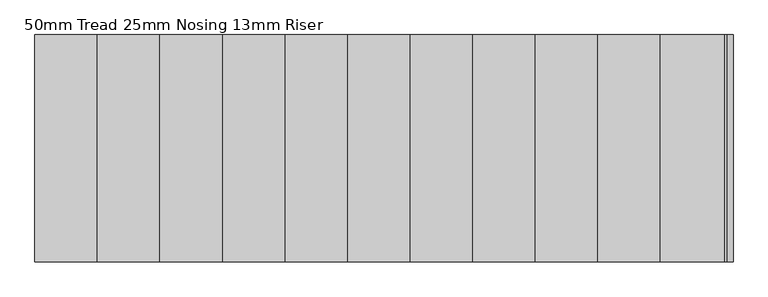
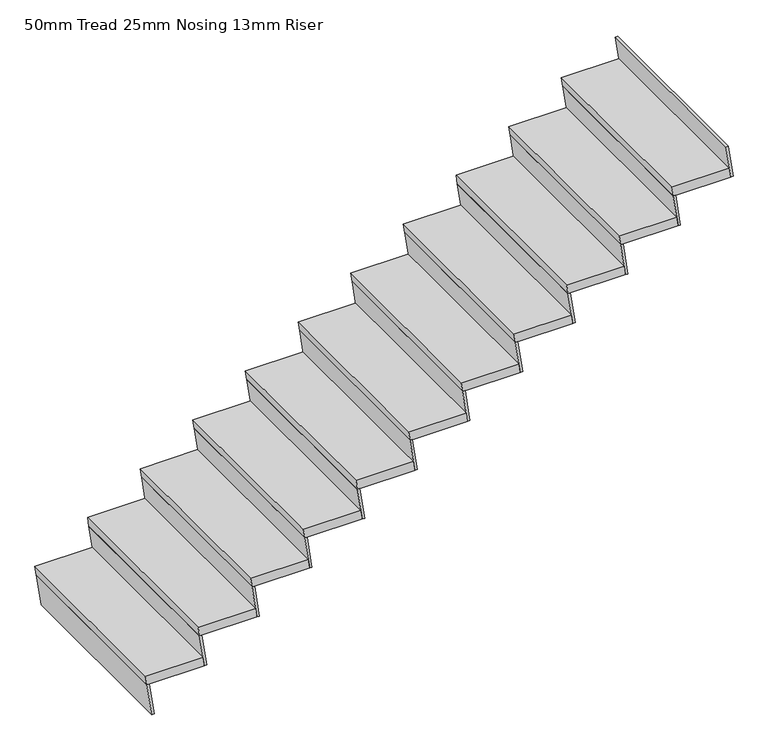
"""IFC4 building model written with IfcOpenShell, lengths in millimetres: stair flight geometry, 50mm Tread 25mm Nosing 13mm Riser."""

from ifc_helpers import new_model, si_unit, frame, origin, place, context, project, spatial, polyline, outline, extrude, source, transform, mapped, element, save


def stair_flight_50mm_tread_25mm_nosing_13mm_riser_2b579600(model_context):
    return source(origin(), model_context, "Body", "SweptSolid", [
        extrude(outline(polyline([(2086.9565217, -6735.9428289), (2086.9565217, -7035.9428289), (2036.9565217, -7028.7553289), (2036.9565217, -6728.7553289), (2086.9565217, -6735.9428289)])), frame((0.0, -478.8193654, 0.0), z_axis=(0.0, 1.0, 0.0), x_axis=(0.0, 0.0, 1.0)), (0.0, 0.0, 1.0), 1000.0),
        extrude(outline(polyline([(2036.9565217, -7028.7553289), (1863.0434783, -7003.7553289), (1863.0434783, -6991.1268389), (2036.9565217, -7016.1268389), (2036.9565217, -7028.7553289)])), frame((0.0, -478.8193654, 0.0), z_axis=(0.0, 1.0, 0.0), x_axis=(0.0, 0.0, 1.0)), (0.0, 0.0, 1.0), 1000.0),
        extrude(outline(polyline([(2210.8695652, -6753.7553289), (2036.9565217, -6728.7553289), (2036.9565217, -6716.1268389), (2210.8695652, -6741.1268389), (2210.8695652, -6753.7553289)])), frame((0.0, -478.8193654, 0.0), z_axis=(0.0, 1.0, 0.0), x_axis=(0.0, 0.0, 1.0)), (0.0, 0.0, 1.0), 1000.0),
        extrude(outline(polyline([(2260.8695652, -6460.9428289), (2260.8695652, -6760.9428289), (2210.8695652, -6753.7553289), (2210.8695652, -6453.7553289), (2260.8695652, -6460.9428289)])), frame((0.0, -478.8193654, 0.0), z_axis=(0.0, 1.0, 0.0), x_axis=(0.0, 0.0, 1.0)), (0.0, 0.0, 1.0), 1000.0),
        extrude(outline(polyline([(2384.7826087, -6478.7553289), (2210.8695652, -6453.7553289), (2210.8695652, -6441.1268389), (2384.7826087, -6466.1268389), (2384.7826087, -6478.7553289)])), frame((0.0, -478.8193654, 0.0), z_axis=(0.0, 1.0, 0.0), x_axis=(0.0, 0.0, 1.0)), (0.0, 0.0, 1.0), 1000.0),
        extrude(outline(polyline([(2434.7826087, -6185.9428289), (2434.7826087, -6485.9428289), (2384.7826087, -6478.7553289), (2384.7826087, -6178.7553289), (2434.7826087, -6185.9428289)])), frame((0.0, -478.8193654, 0.0), z_axis=(0.0, 1.0, 0.0), x_axis=(0.0, 0.0, 1.0)), (0.0, 0.0, 1.0), 1000.0),
        extrude(outline(polyline([(2558.6956522, -6203.7553289), (2384.7826087, -6178.7553289), (2384.7826087, -6166.1268389), (2558.6956522, -6191.1268389), (2558.6956522, -6203.7553289)])), frame((0.0, -478.8193654, 0.0), z_axis=(0.0, 1.0, 0.0), x_axis=(0.0, 0.0, 1.0)), (0.0, 0.0, 1.0), 1000.0),
        extrude(outline(polyline([(2608.6956522, -5910.9428289), (2608.6956522, -6210.9428289), (2558.6956522, -6203.7553289), (2558.6956522, -5903.7553289), (2608.6956522, -5910.9428289)])), frame((0.0, -478.8193654, 0.0), z_axis=(0.0, 1.0, 0.0), x_axis=(0.0, 0.0, 1.0)), (0.0, 0.0, 1.0), 1000.0),
        extrude(outline(polyline([(2732.6086957, -5928.7553289), (2558.6956522, -5903.7553289), (2558.6956522, -5891.1268389), (2732.6086957, -5916.1268389), (2732.6086957, -5928.7553289)])), frame((0.0, -478.8193654, 0.0), z_axis=(0.0, 1.0, 0.0), x_axis=(0.0, 0.0, 1.0)), (0.0, 0.0, 1.0), 1000.0),
        extrude(outline(polyline([(2782.6086957, -5635.9428289), (2782.6086957, -5935.9428289), (2732.6086957, -5928.7553289), (2732.6086957, -5628.7553289), (2782.6086957, -5635.9428289)])), frame((0.0, -478.8193654, 0.0), z_axis=(0.0, 1.0, 0.0), x_axis=(0.0, 0.0, 1.0)), (0.0, 0.0, 1.0), 1000.0),
        extrude(outline(polyline([(2906.5217391, -5653.7553289), (2732.6086957, -5628.7553289), (2732.6086957, -5616.1268389), (2906.5217391, -5641.1268389), (2906.5217391, -5653.7553289)])), frame((0.0, -478.8193654, 0.0), z_axis=(0.0, 1.0, 0.0), x_axis=(0.0, 0.0, 1.0)), (0.0, 0.0, 1.0), 1000.0),
        extrude(outline(polyline([(2956.5217391, -5360.9428289), (2956.5217391, -5660.9428289), (2906.5217391, -5653.7553289), (2906.5217391, -5353.7553289), (2956.5217391, -5360.9428289)])), frame((0.0, -478.8193654, 0.0), z_axis=(0.0, 1.0, 0.0), x_axis=(0.0, 0.0, 1.0)), (0.0, 0.0, 1.0), 1000.0),
        extrude(outline(polyline([(3080.4347826, -5378.7553289), (2906.5217391, -5353.7553289), (2906.5217391, -5341.1268389), (3080.4347826, -5366.1268389), (3080.4347826, -5378.7553289)])), frame((0.0, -478.8193654, 0.0), z_axis=(0.0, 1.0, 0.0), x_axis=(0.0, 0.0, 1.0)), (0.0, 0.0, 1.0), 1000.0),
        extrude(outline(polyline([(3130.4347826, -5085.9428289), (3130.4347826, -5385.9428289), (3080.4347826, -5378.7553289), (3080.4347826, -5078.7553289), (3130.4347826, -5085.9428289)])), frame((0.0, -478.8193654, 0.0), z_axis=(0.0, 1.0, 0.0), x_axis=(0.0, 0.0, 1.0)), (0.0, 0.0, 1.0), 1000.0),
        extrude(outline(polyline([(3254.3478261, -5103.7553289), (3080.4347826, -5078.7553289), (3080.4347826, -5066.1268389), (3254.3478261, -5091.1268389), (3254.3478261, -5103.7553289)])), frame((0.0, -478.8193654, 0.0), z_axis=(0.0, 1.0, 0.0), x_axis=(0.0, 0.0, 1.0)), (0.0, 0.0, 1.0), 1000.0),
        extrude(outline(polyline([(3304.3478261, -4810.9428289), (3304.3478261, -5110.9428289), (3254.3478261, -5103.7553289), (3254.3478261, -4803.7553289), (3304.3478261, -4810.9428289)])), frame((0.0, -478.8193654, 0.0), z_axis=(0.0, 1.0, 0.0), x_axis=(0.0, 0.0, 1.0)), (0.0, 0.0, 1.0), 1000.0),
        extrude(outline(polyline([(3428.2608696, -4828.7553289), (3254.3478261, -4803.7553289), (3254.3478261, -4791.1268389), (3428.2608696, -4816.1268389), (3428.2608696, -4828.7553289)])), frame((0.0, -478.8193654, 0.0), z_axis=(0.0, 1.0, 0.0), x_axis=(0.0, 0.0, 1.0)), (0.0, 0.0, 1.0), 1000.0),
        extrude(outline(polyline([(3478.2608696, -4535.9428289), (3478.2608696, -4835.9428289), (3428.2608696, -4828.7553289), (3428.2608696, -4528.7553289), (3478.2608696, -4535.9428289)])), frame((0.0, -478.8193654, 0.0), z_axis=(0.0, 1.0, 0.0), x_axis=(0.0, 0.0, 1.0)), (0.0, 0.0, 1.0), 1000.0),
        extrude(outline(polyline([(3602.173913, -4553.7553289), (3428.2608696, -4528.7553289), (3428.2608696, -4516.1268389), (3602.173913, -4541.1268389), (3602.173913, -4553.7553289)])), frame((0.0, -478.8193654, 0.0), z_axis=(0.0, 1.0, 0.0), x_axis=(0.0, 0.0, 1.0)), (0.0, 0.0, 1.0), 1000.0),
        extrude(outline(polyline([(3652.173913, -4260.9428289), (3652.173913, -4560.9428289), (3602.173913, -4553.7553289), (3602.173913, -4253.7553289), (3652.173913, -4260.9428289)])), frame((0.0, -478.8193654, 0.0), z_axis=(0.0, 1.0, 0.0), x_axis=(0.0, 0.0, 1.0)), (0.0, 0.0, 1.0), 1000.0),
        extrude(outline(polyline([(3776.0869565, -4278.7553289), (3602.173913, -4253.7553289), (3602.173913, -4241.1268389), (3776.0869565, -4266.1268389), (3776.0869565, -4278.7553289)])), frame((0.0, -478.8193654, 0.0), z_axis=(0.0, 1.0, 0.0), x_axis=(0.0, 0.0, 1.0)), (0.0, 0.0, 1.0), 1000.0),
        extrude(outline(polyline([(3950.0, -4003.7553289), (3776.0869565, -3978.7553289), (3776.0869565, -3966.1268389), (3950.0, -3991.1268389), (3950.0, -4003.7553289)])), frame((0.0, -478.8193654, 0.0), z_axis=(0.0, 1.0, 0.0), x_axis=(0.0, 0.0, 1.0)), (0.0, 0.0, 1.0), 1000.0),
        extrude(outline(polyline([(3826.0869565, -3985.9428289), (3826.0869565, -4285.9428289), (3776.0869565, -4278.7553289), (3776.0869565, -3978.7553289), (3826.0869565, -3985.9428289)])), frame((0.0, -478.8193654, 0.0), z_axis=(0.0, 1.0, 0.0), x_axis=(0.0, 0.0, 1.0)), (0.0, 0.0, 1.0), 1000.0),
    ])


if __name__ == "__main__":
    model = new_model("IFC4")
    model_context = context("Model", 3, world=origin())
    ifc_project = project(units=[si_unit("LENGTHUNIT", "METRE", prefix="MILLI")], contexts=[model_context])
    site = spatial("IfcSite", under=ifc_project)
    building = spatial("IfcBuilding", under=site)
    placement = place(None, origin())
    stair_flight_50mm_tread_25mm_nosing_13mm_riser_shape = stair_flight_50mm_tread_25mm_nosing_13mm_riser_2b579600(model_context)
    element("IfcStairFlight", 1, ObjectType="50mm Tread 25mm Nosing 13mm Riser", at=placement, inside=building, context=model_context, shape_type="MappedRepresentation", body=[
        mapped(stair_flight_50mm_tread_25mm_nosing_13mm_riser_shape, transform((0.0, 0.0, 0.0), x_axis=(1.0, 0.0, 0.0), y_axis=(0.0, 1.0, 0.0), z_axis=(0.0, 0.0, 1.0))),
    ])
    save(model, "model.ifc")
